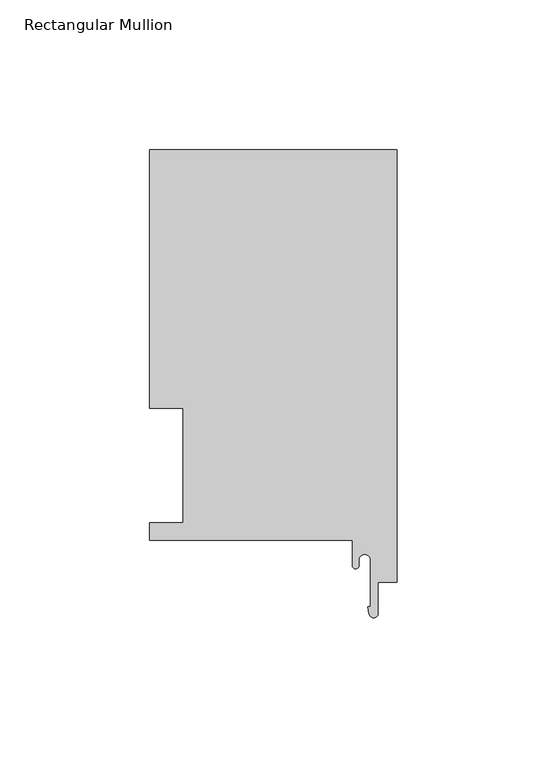
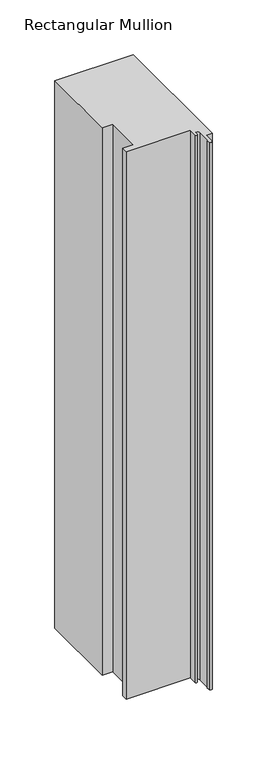
"""IFC4 building model written with IfcOpenShell, lengths in millimetres: member geometry, Rectangular Mullion."""

from ifc_helpers import new_model, si_unit, point, frame, frame_2d, origin, place, context, project, spatial, polyline, circle_curve, trimmed, segment, composite_curve, outline, extrude, source, transform, mapped, element, save


def rectangular_mullion_55c55f6d(model_context):
    return source(origin(), model_context, "Body", "SweptSolid", [
        extrude(outline(composite_curve([segment(polyline([(-82.55, 130.6322), (0.0, 130.6322), (0.0, -13.5385716), (-6.35, -13.5385716), (-6.35, -23.8977531)]), True, "CONTINUOUS"), segment(trimmed(circle_curve(frame_2d((-7.8522469, -23.8977531)), 1.5022469), [point((-6.35, -23.8977531))], [point((-9.338383, -24.1171734))], False, "CARTESIAN"), True, "CONTINUOUS"), segment(polyline([(-9.338383, -24.1171734), (-9.6940977, -21.7079145), (-8.89, -21.7079145), (-8.89, -6.1214)]), True, "CONTINUOUS"), segment(trimmed(circle_curve(frame_2d((-10.795, -6.1214)), 1.905), [point((-8.89, -6.1214))], [point((-12.7, -6.1214))], True, "CARTESIAN"), True, "CONTINUOUS"), segment(polyline([(-12.7, -6.1214), (-12.7, -7.9405445)]), True, "CONTINUOUS"), segment(trimmed(circle_curve(frame_2d((-13.843, -7.9405445)), 1.143), [point((-12.7, -7.9405445))], [point((-14.986, -7.9405445))], False, "CARTESIAN"), True, "CONTINUOUS"), segment(polyline([(-14.986, -7.9405445), (-14.986, 0.4064), (-82.55, 0.4064), (-82.55, 6.35), (-71.4450019, 6.35), (-71.4450019, 44.45), (-82.55, 44.45), (-82.55, 130.6322)]), True, "CONTINUOUS")], self_intersect=False)), frame((0.0, 0.0, -609.6), z_axis=(0.0, 0.0, 1.0), x_axis=(1.0, 0.0, 0.0)), (0.0, 0.0, 1.0), 609.6),
    ])


if __name__ == "__main__":
    model = new_model("IFC4")
    model_context = context("Model", 3, world=origin())
    ifc_project = project(units=[si_unit("LENGTHUNIT", "METRE", prefix="MILLI")], contexts=[model_context])
    site = spatial("IfcSite", under=ifc_project)
    building = spatial("IfcBuilding", under=site)
    placement = place(None, origin())
    rectangular_mullion_shape = rectangular_mullion_55c55f6d(model_context)
    element("IfcMember", 1, ObjectType="Rectangular Mullion", at=placement, inside=building, context=model_context, shape_type="MappedRepresentation", body=[
        mapped(rectangular_mullion_shape, transform((0.0, 0.0, 0.0), x_axis=(1.0, 0.0, 0.0), y_axis=(0.0, 1.0, 0.0), z_axis=(0.0, 0.0, 1.0))),
    ])
    save(model, "model.ifc")
